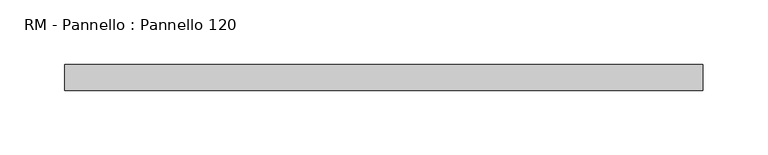
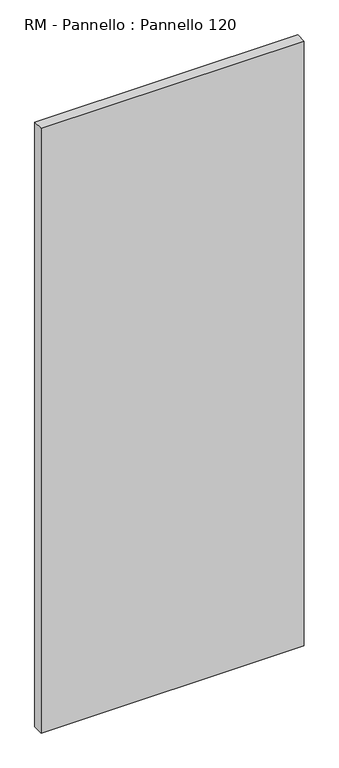
"""IFC4 building model written with IfcOpenShell, lengths in millimetres: plate geometry, RM - Pannello : Pannello 120."""

from ifc_helpers import new_model, si_unit, origin, origin_with_axes, place, context, project, spatial, polyline, outline, extrude, source, transform, mapped, element, save


def rm_pannello_pannello_120_932f271d(model_context):
    return source(origin(), model_context, "Body", "SweptSolid", [
        extrude(outline(polyline([(247.0, -200.0), (-247.0, -200.0), (-247.0, -180.0), (247.0, -180.0), (247.0, -200.0)])), origin_with_axes(), (0.0, 0.0, 1.0), 1200.0),
    ])


if __name__ == "__main__":
    model = new_model("IFC4")
    model_context = context("Model", 3, world=origin())
    ifc_project = project(units=[si_unit("LENGTHUNIT", "METRE", prefix="MILLI")], contexts=[model_context])
    site = spatial("IfcSite", under=ifc_project)
    building = spatial("IfcBuilding", under=site)
    placement = place(None, origin())
    rm_pannello_pannello_120_shape = rm_pannello_pannello_120_932f271d(model_context)
    element("IfcPlate", 1, ObjectType="RM - Pannello : Pannello 120", at=placement, inside=building, context=model_context, shape_type="MappedRepresentation", body=[
        mapped(rm_pannello_pannello_120_shape, transform((0.0, 0.0, 0.0), x_axis=(1.0, 0.0, 0.0), y_axis=(0.0, 1.0, 0.0), z_axis=(0.0, 0.0, 1.0))),
    ])
    save(model, "model.ifc")
